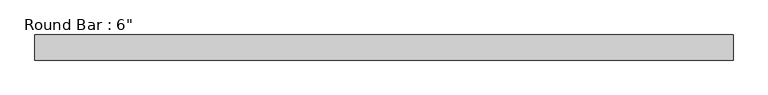
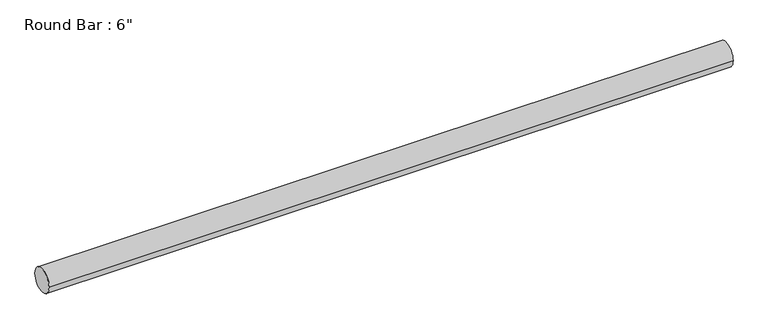
"""IFC4 building model written with IfcOpenShell, lengths in millimetres: beam geometry."""

from ifc_helpers import new_model, si_unit, point, frame, origin, origin_2d, place, context, project, spatial, circle_curve, trimmed, segment, composite_curve, outline, extrude, source, transform, mapped, element, save


def beam_42f8a11d(model_context):
    return source(origin(), model_context, "Body", "SweptSolid", [
        extrude(outline(composite_curve([segment(trimmed(circle_curve(origin_2d(), 76.2), [point((76.2, 0.0))], [point((-76.2, 0.0))], False, "CARTESIAN"), True, "CONTINUOUS"), segment(trimmed(circle_curve(origin_2d(), 76.2), [point((-76.2, 0.0))], [point((76.2, 0.0))], False, "CARTESIAN"), True, "CONTINUOUS")], self_intersect=False)), frame((-2110.0980036, 0.0, 0.0), z_axis=(1.0, 0.0, 0.0), x_axis=(0.0, 1.0, 0.0)), (0.0, 0.0, 1.0), 4235.9887307),
    ])


if __name__ == "__main__":
    model = new_model("IFC4")
    model_context = context("Model", 3, world=origin())
    ifc_project = project(units=[si_unit("LENGTHUNIT", "METRE", prefix="MILLI")], contexts=[model_context])
    site = spatial("IfcSite", under=ifc_project)
    building = spatial("IfcBuilding", under=site)
    placement = place(None, origin())
    beam_shape = beam_42f8a11d(model_context)
    element("IfcBeam", 1, ObjectType="Round Bar : 6\"", at=placement, inside=building, context=model_context, shape_type="MappedRepresentation", body=[
        mapped(beam_shape, transform((0.0, 0.0, 0.0), x_axis=(1.0, 0.0, 0.0), y_axis=(0.0, 1.0, 0.0), z_axis=(0.0, 0.0, 1.0))),
    ])
    save(model, "model.ifc")
